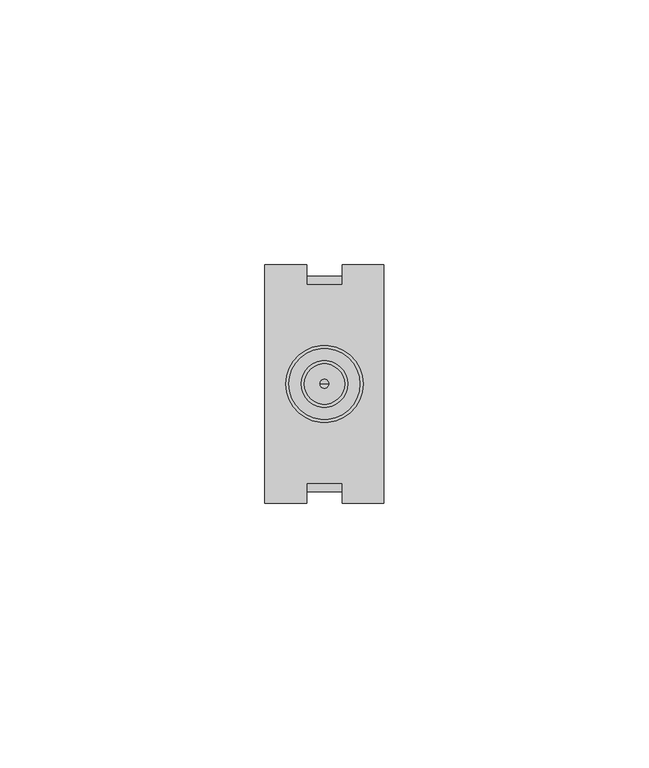
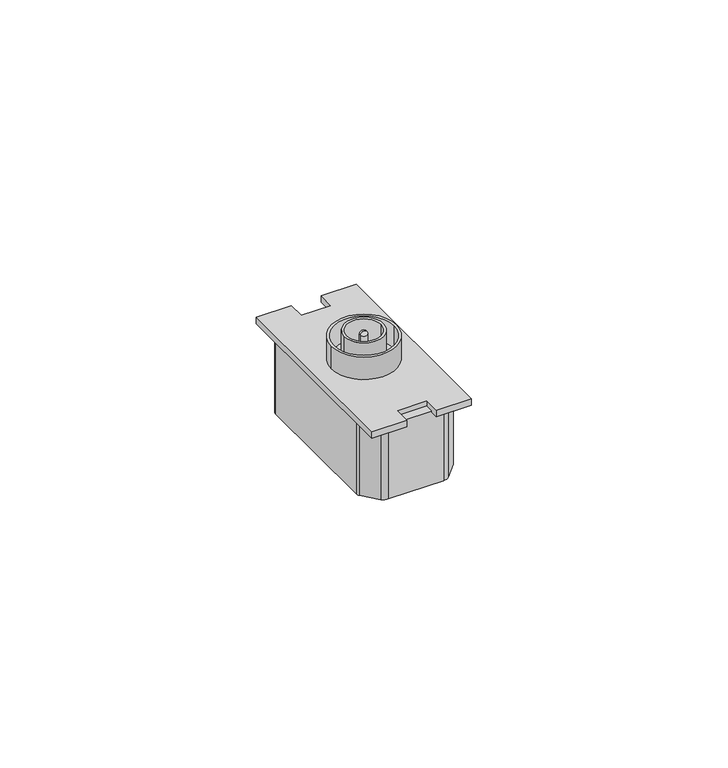
"""IFC4 building model written with IfcOpenShell, lengths in millimetres: proxy geometry."""

from ifc_helpers import new_model, si_unit, point, frame, frame_2d, origin, origin_with_axes, place, context, project, spatial, polyline, circle_curve, ellipse_curve, trimmed, segment, composite_curve, outline, extrude, source, transform, mapped, element, save
from ifc_brep_helpers import plane_surface, cylinder_surface, revolved_surface, advanced_brep


def electrical_fixtures_1021319a(model_context):
    return source(origin(), model_context, "Body", "SolidModel", [
        advanced_brep(
        [(12.0816727, 22.5457361, 1.1865762), (10.4183273, 22.5457361, 1.1865762), (10.4183273, 22.5457361, 7.1614575), (12.0816727, 22.5457361, 7.1614575), (11.25, 22.5457361, 1.1865762), (11.25, 22.5457361, 7.9931303)],
        [
            (0, 1, circle_curve(frame((11.25, 22.5457361, 1.1865762), z_axis=(0.0, 0.0, 1.0), x_axis=(-1.0, 0.0, 0.0)), 0.8316727)),
            (1, 2),
            (2, 3, circle_curve(frame((11.25, 22.5457361, 7.1614575), z_axis=(0.0, 0.0, -1.0), x_axis=(-1.0, 0.0, 0.0)), 0.8316727)),
            (3, 0),
            (1, 0, circle_curve(frame((11.25, 22.5457361, 1.1865762), z_axis=(0.0, 0.0, 1.0), x_axis=(-1.0, 0.0, 0.0)), 0.8316727)),
            (3, 2, circle_curve(frame((11.25, 22.5457361, 7.1614575), z_axis=(0.0, 0.0, -1.0), x_axis=(-1.0, 0.0, 0.0)), 0.8316727)),
            (4, 1),
            (0, 4),
            (2, 5, circle_curve(frame((11.25, 22.5457361, 7.1614575), z_axis=(0.0, 1.0, 0.0), x_axis=(1.0, 0.0, 0.0)), 0.8316727)),
            (5, 3, circle_curve(frame((11.25, 22.5457361, 7.1614575), z_axis=(0.0, 1.0, 0.0), x_axis=(-1.0, 0.0, 0.0)), 0.8316727)),
        ],
        [
            cylinder_surface(frame((11.25, 22.5457361, 4.6646034), z_axis=(0.0, 0.0, -1.0), x_axis=(-1.0, 0.0, 0.0)), 0.8316727),
            plane_surface(frame((11.25, 22.5457361, 1.1865762), z_axis=(0.0, 0.0, -1.0), x_axis=(-1.0, 0.0, 0.0))),
            revolved_surface(trimmed(ellipse_curve(frame((11.25, 22.5457361, 7.1614575), z_axis=(0.0, -1.0, 0.0), x_axis=(1.0, 0.0, 0.0)), 0.8316727, 0.8316727), [point((11.25, 22.5457361, 7.9931303))], [point((10.4183273, 22.5457361, 7.1614575))], True, "CARTESIAN"), (11.25, 22.5457361, 4.6646034), (0.0, 0.0, -1.0)),
        ],
        [
            (0, [[1, 2, 3, 4]]),
            (0, [[5, -4, 6, -2]]),
            (1, [[7, -1, 8]]),
            (1, [[-8, -5, -7]]),
            (2, [[-3, 9, 10]]),
            (2, [[-6, -10, -9]]),
        ],
    ),
        extrude(outline(composite_curve([segment(trimmed(circle_curve(frame_2d((11.25, 22.5)), 4.3760044), [point((6.8739956, 22.5))], [point((15.6260044, 22.5))], False, "CARTESIAN"), True, "CONTINUOUS"), segment(trimmed(circle_curve(frame_2d((11.25, 22.5)), 4.3760044), [point((15.6260044, 22.5))], [point((6.8739956, 22.5))], False, "CARTESIAN"), True, "CONTINUOUS")], self_intersect=False), holes=[composite_curve([segment(trimmed(circle_curve(frame_2d((11.25, 22.5)), 3.8), [point((7.45, 22.5))], [point((15.05, 22.5))], True, "CARTESIAN"), True, "CONTINUOUS"), segment(trimmed(circle_curve(frame_2d((11.25, 22.5)), 3.8), [point((15.05, 22.5))], [point((7.45, 22.5))], True, "CARTESIAN"), True, "CONTINUOUS")], self_intersect=False)]), frame((0.0, 0.0, 2.4329338), z_axis=(0.0, 0.0, 1.0), x_axis=(1.0, 0.0, 0.0)), (0.0, 0.0, 1.0), 5.7462248),
        extrude(outline(composite_curve([segment(trimmed(circle_curve(frame_2d((11.25, 22.5)), 7.2919601), [point((3.9580399, 22.5))], [point((18.5419601, 22.5))], False, "CARTESIAN"), True, "CONTINUOUS"), segment(trimmed(circle_curve(frame_2d((11.25, 22.5)), 7.2919601), [point((18.5419601, 22.5))], [point((3.9580399, 22.5))], False, "CARTESIAN"), True, "CONTINUOUS")], self_intersect=False), holes=[composite_curve([segment(trimmed(circle_curve(frame_2d((11.25, 22.5)), 6.7130724), [point((4.5369276, 22.5))], [point((17.9630724, 22.5))], True, "CARTESIAN"), True, "CONTINUOUS"), segment(trimmed(circle_curve(frame_2d((11.25, 22.5)), 6.7130724), [point((17.9630724, 22.5))], [point((4.5369276, 22.5))], True, "CARTESIAN"), True, "CONTINUOUS")], self_intersect=False)]), frame((0.0, 0.0, 1.5), z_axis=(0.0, 0.0, 1.0), x_axis=(1.0, 0.0, 0.0)), (0.0, 0.0, 1.0), 5.3722979),
        extrude(outline(composite_curve([segment(trimmed(circle_curve(frame_2d((22.9785709, 22.0163771)), 28.0250427), [point((0.6708855, 38.9801677))], [point((3.6496058, 42.3090883))], False, "CARTESIAN"), True, "CONTINUOUS"), segment(trimmed(circle_curve(frame_2d((5.0058625, 40.8852084)), 1.9664349), [point((3.6496058, 42.3090883))], [point((5.0058625, 42.8516432))], False, "CARTESIAN"), True, "CONTINUOUS"), segment(polyline([(5.0058625, 42.8516432), (17.4941375, 42.8516432)]), True, "CONTINUOUS"), segment(trimmed(circle_curve(frame_2d((17.4941375, 40.8852084)), 1.9664349), [point((17.4941375, 42.8516432))], [point((18.8503942, 42.3090883))], False, "CARTESIAN"), True, "CONTINUOUS"), segment(trimmed(circle_curve(frame_2d((-0.4785709, 22.0163771)), 28.0250427), [point((18.8503942, 42.3090883))], [point((21.8291145, 38.9801677))], False, "CARTESIAN"), True, "CONTINUOUS"), segment(trimmed(circle_curve(frame_2d((20.8665201, 38.2481666)), 1.2093029), [point((21.8291145, 38.9801677))], [point((22.075823, 38.2481666))], False, "CARTESIAN"), True, "CONTINUOUS"), segment(polyline([(22.075823, 38.2481666), (22.075823, 6.7518334)]), True, "CONTINUOUS"), segment(trimmed(circle_curve(frame_2d((20.8665201, 6.7518334)), 1.2093029), [point((22.075823, 6.7518334))], [point((21.8291145, 6.0198323))], False, "CARTESIAN"), True, "CONTINUOUS"), segment(trimmed(circle_curve(frame_2d((-0.4785709, 22.9836229)), 28.0250427), [point((21.8291145, 6.0198323))], [point((18.8503942, 2.6909117))], False, "CARTESIAN"), True, "CONTINUOUS"), segment(trimmed(circle_curve(frame_2d((17.4941375, 4.1147916)), 1.9664349), [point((18.8503942, 2.6909117))], [point((17.4941375, 2.1483568))], False, "CARTESIAN"), True, "CONTINUOUS"), segment(polyline([(17.4941375, 2.1483568), (5.0058625, 2.1483568)]), True, "CONTINUOUS"), segment(trimmed(circle_curve(frame_2d((5.0058625, 4.1147916)), 1.9664349), [point((5.0058625, 2.1483568))], [point((3.6496058, 2.6909117))], False, "CARTESIAN"), True, "CONTINUOUS"), segment(trimmed(circle_curve(frame_2d((22.9785709, 22.9836229)), 28.0250427), [point((3.6496058, 2.6909117))], [point((0.6708855, 6.0198323))], False, "CARTESIAN"), True, "CONTINUOUS"), segment(trimmed(circle_curve(frame_2d((1.6334799, 6.7518334)), 1.2093029), [point((0.6708855, 6.0198323))], [point((0.424177, 6.7518334))], False, "CARTESIAN"), True, "CONTINUOUS"), segment(polyline([(0.424177, 6.7518334), (0.424177, 38.2481666)]), True, "CONTINUOUS"), segment(trimmed(circle_curve(frame_2d((1.6334799, 38.2481666)), 1.2093029), [point((0.424177, 38.2481666))], [point((0.6708855, 38.9801677))], False, "CARTESIAN"), True, "CONTINUOUS")], self_intersect=False)), frame((0.0, 0.0, -17.5074078), z_axis=(0.0, 0.0, 1.0), x_axis=(1.0, 0.0, 0.0)), (0.0, 0.0, 1.0), 17.5074078),
        extrude(outline(polyline([(0.0, 0.0), (0.0, 45.0), (7.9131171, 45.0), (7.9131171, 41.2139641), (14.5868829, 41.2139641), (14.5868829, 45.0), (22.5, 45.0), (22.5, 0.0), (14.5868829, 0.0), (14.5868829, 3.7860359), (7.9131171, 3.7860359), (7.9131171, 0.0), (0.0, 0.0)])), origin_with_axes(), (0.0, 0.0, 1.0), 1.5),
    ])


if __name__ == "__main__":
    model = new_model("IFC4")
    model_context = context("Model", 3, world=origin())
    ifc_project = project(units=[si_unit("LENGTHUNIT", "METRE", prefix="MILLI")], contexts=[model_context])
    site = spatial("IfcSite", under=ifc_project)
    building = spatial("IfcBuilding", under=site)
    placement = place(None, origin())
    electrical_fixtures_shape = electrical_fixtures_1021319a(model_context)
    element("IfcBuildingElementProxy", 1, Name="Electrical Fixtures", at=placement, inside=building, context=model_context, shape_type="MappedRepresentation", body=[
        mapped(electrical_fixtures_shape, transform((0.0, 0.0, 0.0), x_axis=(1.0, 0.0, 0.0), y_axis=(0.0, 1.0, 0.0), z_axis=(0.0, 0.0, 1.0))),
    ])
    save(model, "model.ifc")
